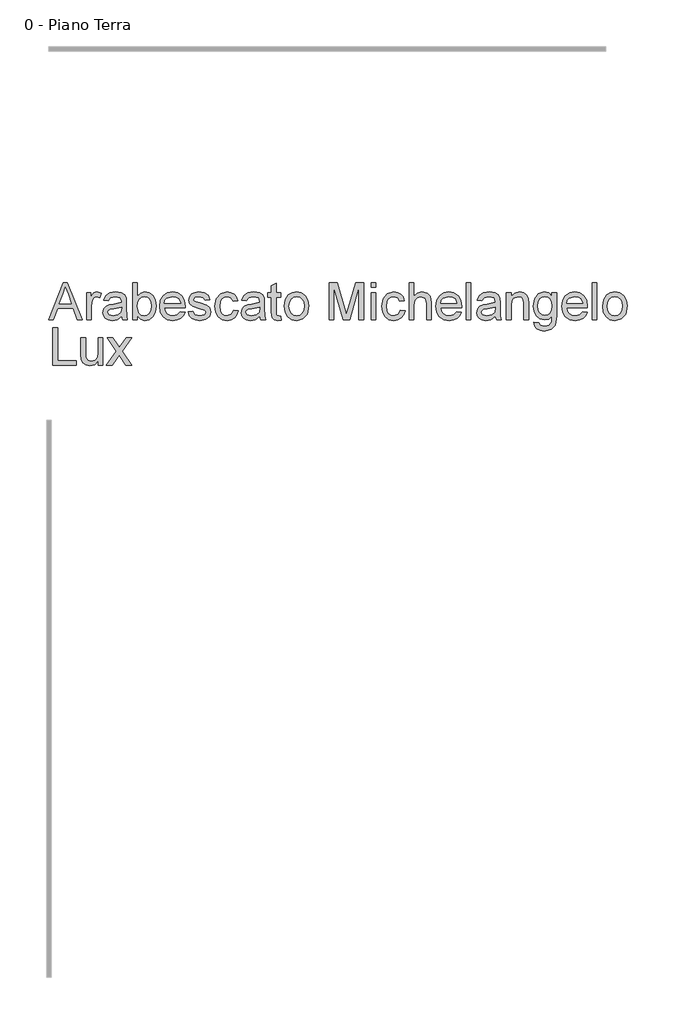
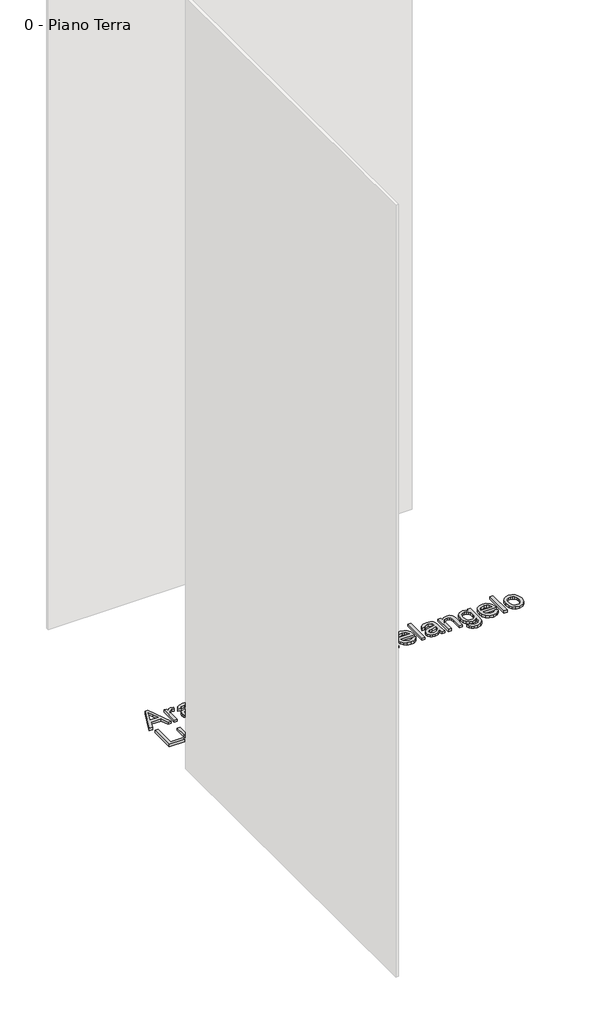
# One storey, part 34 of 35: 1 proxy.
"""IFC4 building model written with IfcOpenShell, lengths in millimetres."""

from ifc_helpers import new_model, si_unit, origin, origin_with_axes, place, context, project, spatial, polyline, outline, extrude, element, save

model = new_model("IFC4")

# Units and contexts
model_context = context("Model", 3, world=origin())
ifc_project = project(units=[si_unit("LENGTHUNIT", "METRE", prefix="MILLI")], contexts=[model_context])

# Site, building, storey
site = spatial("IfcSite", under=ifc_project)
building = spatial("IfcBuilding", under=site)
storey = spatial("IfcBuildingStorey", under=building, Name="0 - Piano Terra", Elevation=0.0)

# Proxy
placement = place(None, origin())
element("IfcBuildingElementProxy", 1, Name="Testo modello 1", ObjectType="Testo modello 1", at=placement, inside=storey, context=model_context, shape_type="SweptSolid", body=[
    extrude(outline(polyline([(7720.0306016, 17726.2407648), (7760.1297391, 17826.697075), (7770.8228424, 17826.697075), (7810.9219799, 17726.2407648), (7797.6537026, 17726.2407648), (7786.1512589, 17757.6333618), (7744.7767972, 17757.6333618), (7733.2988789, 17726.2407648), (7720.0306016, 17726.2407648)]), holes=[polyline([(7749.3875848, 17770.1904005), (7781.5649967, 17770.1904005), (7772.5150996, 17794.8875451), (7765.4762908, 17814.1400362), (7759.2222968, 17797.0457862), (7749.3875848, 17770.1904005)])]), origin_with_axes(), (0.0, 0.0, 1.0), 10.0),
    extrude(outline(polyline([(7822.7677801, 17726.2407648), (7822.7677801, 17800.0133676), (7833.7551891, 17800.0133676), (7833.7551891, 17789.0995351), (7841.5542874, 17799.1549763), (7849.4024366, 17801.5829975), (7862.0085263, 17797.7079738), (7857.8146716, 17786.4507847), (7848.9855037, 17789.0259587), (7841.8853812, 17786.5488866), (7837.3604326, 17779.681756), (7835.3248189, 17765.0155271), (7835.3248189, 17726.2407648), (7822.7677801, 17726.2407648)])), origin_with_axes(), (0.0, 0.0, 1.0), 10.0),
    extrude(outline(polyline([(7916.9455709, 17735.6585439), (7904.7686769, 17727.1482071), (7891.3164586, 17724.671135), (7880.8226247, 17726.1610571), (7873.0817744, 17730.6308233), (7868.3085055, 17737.4182461), (7866.7174158, 17745.8611379), (7869.1209115, 17755.7939518), (7875.4362191, 17763.0044389), (7884.2285988, 17767.1247172), (7895.0933804, 17769.0131782), (7916.8719945, 17773.3296602), (7916.9455709, 17776.1255634), (7913.4874802, 17785.3961897), (7899.6060662, 17789.0259587), (7886.9018746, 17786.6102003), (7880.8440845, 17778.0385498), (7868.2870457, 17779.6081796), (7873.7194365, 17791.8709128), (7884.6577945, 17799.0568744), (7901.224747, 17801.5829975), (7916.4427989, 17799.35118), (7925.0389748, 17793.747111), (7928.889473, 17785.2245114), (7929.5026097, 17774.2371025), (7929.5026097, 17758.6143804), (7930.1402718, 17736.7989781), (7932.6418694, 17726.2407648), (7920.0848306, 17726.2407648), (7916.9455709, 17735.6585439)]), holes=[polyline([(7916.9455709, 17760.7726215), (7896.6875357, 17756.9221232), (7885.8840678, 17754.8865095), (7880.9912373, 17751.5755716), (7879.2744546, 17746.7440547), (7883.0145882, 17739.9505005), (7893.9897344, 17737.2281738), (7906.693926, 17740.2325434), (7914.8854317, 17747.5043442), (7916.8719945, 17757.2164288), (7916.9455709, 17760.7726215)])]), origin_with_axes(), (0.0, 0.0, 1.0), 10.0),
    extrude(outline(polyline([(7959.3255768, 17726.2407648), (7946.768538, 17726.2407648), (7946.768538, 17826.697075), (7959.3255768, 17826.697075), (7959.3255768, 17789.4428916), (7968.1179564, 17798.547971), (7979.0440517, 17801.5829975), (7991.6256159, 17798.848408), (8001.3867515, 17791.1596743), (8007.3832281, 17779.2035094), (8009.5537318, 17764.2307122), (8007.306586, 17747.467556), (8000.5651484, 17734.9963563), (7990.6721884, 17727.2524403), (7978.9704753, 17724.671135), (7967.8052567, 17728.0004671), (7959.3255768, 17737.9884632), (7959.3255768, 17726.2407648)]), holes=[polyline([(7959.3255768, 17763.642101), (7962.759142, 17746.0818671), (7969.3380984, 17739.4415971), (7977.8913548, 17737.2281738), (7985.1386301, 17738.8591173), (7991.3313103, 17743.7519478), (7995.5803474, 17751.8760085), (7996.9966931, 17763.2006426), (7995.6385954, 17774.6908236), (7991.5643023, 17782.7229138), (7985.5647601, 17787.4501975), (7978.430915, 17789.0259587), (7971.1836397, 17787.3950152), (7964.9909595, 17782.5021846), (7960.7419224, 17774.5252767), (7959.3255768, 17763.642101)])]), origin_with_axes(), (0.0, 0.0, 1.0), 10.0),
    extrude(outline(polyline([(8075.3310326, 17748.2155827), (8087.6428167, 17746.6459528), (8083.206773, 17737.3691952), (8076.1281102, 17730.4346196), (8066.566244, 17726.1120062), (8054.6805899, 17724.671135), (8039.946916, 17727.1574042), (8028.6100192, 17734.6162116), (8021.381138, 17746.5631794), (8018.9715109, 17762.5139296), (8021.4056634, 17779.0011743), (8028.708121, 17791.3313525), (8039.8917337, 17799.0200862), (8053.9693514, 17801.5829975), (8067.6085764, 17799.0262176), (8078.5070805, 17791.355878), (8085.6531882, 17779.0502253), (8088.0352241, 17762.587506), (8087.9616477, 17759.2029916), (8031.5285497, 17759.2029916), (8033.7021191, 17749.8036066), (8038.7512995, 17742.8935565), (8046.0384287, 17738.6445195), (8054.9258446, 17737.2281738), (8067.2376287, 17739.8523987), (8075.3310326, 17748.2155827)]), holes=[polyline([(8031.5285497, 17771.7600304), (8075.4781854, 17771.7600304), (8070.4504648, 17783.1398468), (8063.1296131, 17787.5544307), (8053.9203005, 17789.0259587), (8038.4569939, 17784.3293319), (8033.5917545, 17778.8386931), (8031.5285497, 17771.7600304)])]), origin_with_axes(), (0.0, 0.0, 1.0), 10.0),
    extrude(outline(polyline([(8095.8833734, 17748.2155827), (8108.4404121, 17749.7852125), (8114.2529477, 17740.4655353), (8127.5702759, 17737.2281738), (8140.3725693, 17740.1957552), (8144.5418986, 17747.1609876), (8140.3480439, 17752.8018449), (8127.4231231, 17756.382563), (8108.5139885, 17762.5261923), (8100.2611691, 17769.6998912), (8097.4530032, 17779.8289088), (8099.7093461, 17789.1853742), (8105.8652382, 17796.3345477), (8113.8482775, 17800.0501558), (8124.6517454, 17801.5829975), (8139.9311109, 17799.1181881), (8149.6431956, 17792.4472612), (8153.9596777, 17781.1778095), (8141.4026389, 17779.6081796), (8136.6814866, 17786.5366239), (8125.632764, 17789.0259587), (8113.6152855, 17786.6469885), (8110.010042, 17781.1042331), (8111.5060954, 17777.4499386), (8116.1904595, 17774.6785609), (8127.0061902, 17772.005285), (8145.4370781, 17766.0946477), (8153.9964659, 17759.3991953), (8157.0989374, 17748.4853628), (8153.4569056, 17736.4678843), (8142.9477433, 17727.749081), (8127.3985976, 17724.671135), (8114.7373256, 17726.1549257), (8105.4973562, 17730.6062979), (8099.3292014, 17737.9762005), (8095.8833734, 17748.2155827)])), origin_with_axes(), (0.0, 0.0, 1.0), 10.0),
    extrude(outline(polyline([(8218.3145014, 17752.9244722), (8230.8715401, 17751.3548424), (8227.3705298, 17740.1865581), (8220.7915735, 17731.746732), (8211.7539391, 17726.4400343), (8200.8768948, 17724.671135), (8187.5197127, 17727.1390101), (8177.0749297, 17734.5426352), (8170.3334921, 17746.557048), (8168.0863463, 17762.8572861), (8171.9245818, 17783.7161952), (8183.6232292, 17797.1193626), (8200.7052165, 17801.5829975), (8211.3155464, 17800.0501558), (8219.7982921, 17795.4516309), (8225.8836734, 17788.0326773), (8229.3019103, 17778.0385498), (8216.7448715, 17776.4689199), (8210.9200733, 17785.8744363), (8200.8033184, 17789.0259587), (8192.6884547, 17787.4747229), (8186.2474541, 17782.8210157), (8182.0444023, 17774.8134509), (8180.6433851, 17763.2006426), (8182.0137455, 17751.4314845), (8186.1248268, 17743.3963286), (8192.4493314, 17738.7702125), (8200.4599619, 17737.2281738), (8212.2934994, 17741.078672), (8218.3145014, 17752.9244722)])), origin_with_axes(), (0.0, 0.0, 1.0), 10.0),
    extrude(outline(polyline([(8288.9478444, 17735.6585439), (8276.7709504, 17727.1482071), (8263.3187321, 17724.671135), (8252.8248982, 17726.1610571), (8245.0840479, 17730.6308233), (8240.310779, 17737.4182461), (8238.7196894, 17745.8611379), (8241.1231851, 17755.7939518), (8247.4384926, 17763.0044389), (8256.2308723, 17767.1247172), (8267.0956539, 17769.0131782), (8288.874268, 17773.3296602), (8288.9478444, 17776.1255634), (8285.4897537, 17785.3961897), (8271.6083397, 17789.0259587), (8258.9041482, 17786.6102003), (8252.846358, 17778.0385498), (8240.2893192, 17779.6081796), (8245.72171, 17791.8709128), (8256.660068, 17799.0568744), (8273.2270205, 17801.5829975), (8288.4450724, 17799.35118), (8297.0412483, 17793.747111), (8300.8917465, 17785.2245114), (8301.5048832, 17774.2371025), (8301.5048832, 17758.6143804), (8302.1425453, 17736.7989781), (8304.6441429, 17726.2407648), (8292.0871041, 17726.2407648), (8288.9478444, 17735.6585439)]), holes=[polyline([(8288.9478444, 17760.7726215), (8268.6898092, 17756.9221232), (8257.8863413, 17754.8865095), (8252.9935108, 17751.5755716), (8251.2767281, 17746.7440547), (8255.0168617, 17739.9505005), (8265.9920079, 17737.2281738), (8278.6961995, 17740.2325434), (8286.8877053, 17747.5043442), (8288.874268, 17757.2164288), (8288.9478444, 17760.7726215)])]), origin_with_axes(), (0.0, 0.0, 1.0), 10.0),
    extrude(outline(polyline([(8345.4545189, 17736.713139), (8347.0241487, 17725.8728829), (8337.6308951, 17724.671135), (8327.1094701, 17726.7557996), (8321.8610203, 17732.2249786), (8320.3404414, 17746.4742746), (8320.3404414, 17787.4563288), (8310.9226623, 17787.4563288), (8310.9226623, 17800.0133676), (8320.3404414, 17800.0133676), (8320.3404414, 17817.9414835), (8332.8974801, 17825.3236489), (8332.8974801, 17800.0133676), (8345.4545189, 17800.0133676), (8345.4545189, 17787.4563288), (8332.8974801, 17787.4563288), (8332.8974801, 17746.8421566), (8333.5596677, 17740.3674335), (8335.705646, 17738.0743024), (8339.9853399, 17737.2281738), (8345.4545189, 17736.713139)])), origin_with_axes(), (0.0, 0.0, 1.0), 10.0),
    extrude(outline(polyline([(8354.872298, 17763.1270662), (8357.5884934, 17780.9141607), (8365.7370796, 17793.4160172), (8375.8047835, 17799.5412524), (8387.8590502, 17801.5829975), (8401.0506854, 17799.0967283), (8411.5874389, 17791.6379209), (8418.4944234, 17779.7951863), (8420.7967515, 17764.1571358), (8416.7255241, 17741.814436), (8404.8674611, 17729.1715581), (8387.8590502, 17724.671135), (8374.5079995, 17727.1482071), (8363.9835087, 17734.5794234), (8357.1501007, 17746.6704783), (8354.872298, 17763.1270662)]), holes=[polyline([(8367.4293367, 17763.1515917), (8368.8824706, 17751.7871037), (8373.2418723, 17743.6906342), (8379.8024345, 17738.8437889), (8387.8590502, 17737.2281738), (8395.8788777, 17738.8529859), (8402.4271772, 17743.7274224), (8406.7865789, 17751.9311908), (8408.2397127, 17763.5439992), (8406.7773818, 17774.5773933), (8402.390389, 17782.5634983), (8395.8328925, 17787.4103436), (8387.8590502, 17789.0259587), (8379.8024345, 17787.416475), (8373.2418723, 17782.5880238), (8368.8824706, 17774.5099483), (8367.4293367, 17763.1515917)])]), origin_with_axes(), (0.0, 0.0, 1.0), 10.0),
    extrude(outline(polyline([(8475.7337961, 17726.2407648), (8475.7337961, 17826.697075), (8497.340732, 17826.697075), (8517.8930728, 17755.8920537), (8522.0378766, 17741.1031975), (8526.5260369, 17757.118327), (8546.7350212, 17826.697075), (8568.341957, 17826.697075), (8568.341957, 17726.2407648), (8555.7849183, 17726.2407648), (8555.7849183, 17814.1400362), (8530.5482134, 17726.2407648), (8513.5275398, 17726.2407648), (8488.2908349, 17814.1400362), (8488.2908349, 17726.2407648), (8475.7337961, 17726.2407648)])), origin_with_axes(), (0.0, 0.0, 1.0), 10.0),
    extrude(outline(polyline([(8588.747145, 17814.1400362), (8588.747145, 17826.697075), (8601.3041838, 17826.697075), (8601.3041838, 17814.1400362), (8588.747145, 17814.1400362)])), origin_with_axes(), (0.0, 0.0, 1.0), 10.0),
    extrude(outline(polyline([(8588.747145, 17726.2407648), (8588.747145, 17800.0133676), (8601.3041838, 17800.0133676), (8601.3041838, 17726.2407648), (8588.747145, 17726.2407648)])), origin_with_axes(), (0.0, 0.0, 1.0), 10.0),
    extrude(outline(polyline([(8667.2286373, 17752.9244722), (8679.7856761, 17751.3548424), (8676.2846658, 17740.1865581), (8669.7057094, 17731.746732), (8660.6680751, 17726.4400343), (8649.7910308, 17724.671135), (8636.4338487, 17727.1390101), (8625.9890657, 17734.5426352), (8619.2476281, 17746.557048), (8617.0004823, 17762.8572861), (8620.8387178, 17783.7161952), (8632.5373652, 17797.1193626), (8649.6193525, 17801.5829975), (8660.2296824, 17800.0501558), (8668.7124281, 17795.4516309), (8674.7978094, 17788.0326773), (8678.2160463, 17778.0385498), (8665.6590075, 17776.4689199), (8659.8342092, 17785.8744363), (8649.7174544, 17789.0259587), (8641.6025907, 17787.4747229), (8635.1615901, 17782.8210157), (8630.9585383, 17774.8134509), (8629.557521, 17763.2006426), (8630.9278815, 17751.4314845), (8635.0389628, 17743.3963286), (8641.3634674, 17738.7702125), (8649.3740978, 17737.2281738), (8661.2076354, 17741.078672), (8667.2286373, 17752.9244722)])), origin_with_axes(), (0.0, 0.0, 1.0), 10.0),
    extrude(outline(polyline([(8690.773085, 17726.2407648), (8690.773085, 17826.697075), (8703.3301238, 17826.697075), (8703.3301238, 17789.7617227), (8713.1219162, 17798.6276788), (8725.1823143, 17801.5829975), (8739.2844575, 17798.3578986), (8747.8438452, 17789.4428916), (8750.4190192, 17772.9372528), (8750.4190192, 17726.2407648), (8737.8619804, 17726.2407648), (8737.8619804, 17771.6374031), (8733.8643294, 17784.8811549), (8722.533564, 17789.0259587), (8712.2451308, 17786.2300555), (8705.3780002, 17778.6516864), (8703.3301238, 17765.4324601), (8703.3301238, 17726.2407648), (8690.773085, 17726.2407648)])), origin_with_axes(), (0.0, 0.0, 1.0), 10.0),
    extrude(outline(polyline([(8819.3355796, 17748.2155827), (8831.6473637, 17746.6459528), (8827.21132, 17737.3691952), (8820.1326573, 17730.4346196), (8810.5707911, 17726.1120062), (8798.685137, 17724.671135), (8783.951463, 17727.1574042), (8772.6145662, 17734.6162116), (8765.385685, 17746.5631794), (8762.976058, 17762.5139296), (8765.4102105, 17779.0011743), (8772.7126681, 17791.3313525), (8783.8962807, 17799.0200862), (8797.9738984, 17801.5829975), (8811.6131234, 17799.0262176), (8822.5116275, 17791.355878), (8829.6577353, 17779.0502253), (8832.0397712, 17762.587506), (8831.9661948, 17759.2029916), (8775.5330967, 17759.2029916), (8777.7066662, 17749.8036066), (8782.7558466, 17742.8935565), (8790.0429758, 17738.6445195), (8798.9303916, 17737.2281738), (8811.2421757, 17739.8523987), (8819.3355796, 17748.2155827)]), holes=[polyline([(8775.5330967, 17771.7600304), (8819.4827324, 17771.7600304), (8814.4550118, 17783.1398468), (8807.1341601, 17787.5544307), (8797.9248475, 17789.0259587), (8782.461541, 17784.3293319), (8777.5963016, 17778.8386931), (8775.5330967, 17771.7600304)])]), origin_with_axes(), (0.0, 0.0, 1.0), 10.0),
    extrude(outline(polyline([(8844.59681, 17726.2407648), (8844.59681, 17826.697075), (8857.1538487, 17826.697075), (8857.1538487, 17726.2407648), (8844.59681, 17726.2407648)])), origin_with_axes(), (0.0, 0.0, 1.0), 10.0),
    extrude(outline(polyline([(8923.0783023, 17735.6585439), (8910.9014082, 17727.1482071), (8897.4491899, 17724.671135), (8886.955356, 17726.1610571), (8879.2145057, 17730.6308233), (8874.4412368, 17737.4182461), (8872.8501472, 17745.8611379), (8875.2536429, 17755.7939518), (8881.5689505, 17763.0044389), (8890.3613302, 17767.1247172), (8901.2261117, 17769.0131782), (8923.0047259, 17773.3296602), (8923.0783023, 17776.1255634), (8919.6202115, 17785.3961897), (8905.7387976, 17789.0259587), (8893.034606, 17786.6102003), (8886.9768158, 17778.0385498), (8874.419777, 17779.6081796), (8879.8521678, 17791.8709128), (8890.7905258, 17799.0568744), (8907.3574783, 17801.5829975), (8922.5755302, 17799.35118), (8931.1717062, 17793.747111), (8935.0222044, 17785.2245114), (8935.635341, 17774.2371025), (8935.635341, 17758.6143804), (8936.2730031, 17736.7989781), (8938.7746007, 17726.2407648), (8926.2175619, 17726.2407648), (8923.0783023, 17735.6585439)]), holes=[polyline([(8923.0783023, 17760.7726215), (8902.8202671, 17756.9221232), (8892.0167991, 17754.8865095), (8887.1239686, 17751.5755716), (8885.407186, 17746.7440547), (8889.1473196, 17739.9505005), (8900.1224658, 17737.2281738), (8912.8266573, 17740.2325434), (8921.0181631, 17747.5043442), (8923.0047259, 17757.2164288), (8923.0783023, 17760.7726215)])]), origin_with_axes(), (0.0, 0.0, 1.0), 10.0),
    extrude(outline(polyline([(8952.9012693, 17726.2407648), (8952.9012693, 17800.0133676), (8965.4583081, 17800.0133676), (8965.4583081, 17789.7126717), (8975.0600282, 17798.615416), (8988.1688899, 17801.5829975), (9000.0269529, 17799.1917645), (9008.1203568, 17792.9132451), (9011.8850159, 17783.679407), (9012.5472035, 17771.5393012), (9012.5472035, 17726.2407648), (8999.9901647, 17726.2407648), (8999.9901647, 17769.847044), (8998.5431622, 17780.9570803), (8993.4296025, 17786.8309295), (8984.808901, 17789.0259587), (8971.1850045, 17784.09634), (8966.8899822, 17776.9532979), (8965.4583081, 17765.3834091), (8965.4583081, 17726.2407648), (8952.9012693, 17726.2407648)])), origin_with_axes(), (0.0, 0.0, 1.0), 10.0),
    extrude(outline(polyline([(9026.6738721, 17719.9622455), (9039.2309109, 17718.3926156), (9043.3021383, 17711.7707397), (9055.4912951, 17708.9748365), (9068.3426394, 17712.1386217), (9074.474006, 17721.0168405), (9075.3323973, 17735.6585439), (9066.4909667, 17728.5952096), (9055.7120243, 17726.2407648), (9042.7656437, 17728.9814857), (9033.111807, 17737.2036483), (9027.1061334, 17749.257915), (9025.1042423, 17763.4949482), (9028.6972231, 17782.9559058), (9039.0960208, 17796.7269551), (9055.0988876, 17801.5829975), (9066.3008943, 17798.8361452), (9075.3323973, 17790.5955885), (9075.3323973, 17800.0133676), (9087.8894361, 17800.0133676), (9087.8894361, 17736.3207315), (9084.4558708, 17711.9301552), (9073.5788265, 17700.5871271), (9055.2460404, 17696.4177978), (9043.5627214, 17697.8862601), (9034.3626058, 17702.291647), (9028.4611655, 17709.6462212), (9026.6738721, 17719.9622455)]), holes=[polyline([(9037.661281, 17764.3533395), (9039.0009846, 17752.8355674), (9043.0200954, 17744.9169075), (9049.0625572, 17740.3275796), (9056.4723137, 17738.7978036), (9063.8268879, 17740.3183825), (9069.9000065, 17744.8801193), (9073.9742996, 17752.6976117), (9075.3323973, 17763.9854576), (9073.9344457, 17774.8716989), (9069.740591, 17782.7106511), (9063.5785676, 17787.4471318), (9056.27611, 17789.0259587), (9049.1054768, 17787.4716573), (9043.0936718, 17782.808753), (9039.0193787, 17775.0862968), (9037.661281, 17764.3533395)])]), origin_with_axes(), (0.0, 0.0, 1.0), 10.0),
    extrude(outline(polyline([(9158.3756264, 17748.2155827), (9170.6874105, 17746.6459528), (9166.2513668, 17737.3691952), (9159.172704, 17730.4346196), (9149.6108378, 17726.1120062), (9137.7251837, 17724.671135), (9122.9915098, 17727.1574042), (9111.654613, 17734.6162116), (9104.4257318, 17746.5631794), (9102.0161047, 17762.5139296), (9104.4502572, 17779.0011743), (9111.7527148, 17791.3313525), (9122.9363275, 17799.0200862), (9137.0139452, 17801.5829975), (9150.6531702, 17799.0262176), (9161.5516743, 17791.355878), (9168.697782, 17779.0502253), (9171.0798179, 17762.587506), (9171.0062415, 17759.2029916), (9114.5731435, 17759.2029916), (9116.7467129, 17749.8036066), (9121.7958933, 17742.8935565), (9129.0830225, 17738.6445195), (9137.9704384, 17737.2281738), (9150.2822225, 17739.8523987), (9158.3756264, 17748.2155827)]), holes=[polyline([(9114.5731435, 17771.7600304), (9158.5227792, 17771.7600304), (9153.4950586, 17783.1398468), (9146.1742069, 17787.5544307), (9136.9648943, 17789.0259587), (9121.5015877, 17784.3293319), (9116.6363483, 17778.8386931), (9114.5731435, 17771.7600304)])]), origin_with_axes(), (0.0, 0.0, 1.0), 10.0),
    extrude(outline(polyline([(9183.6368567, 17726.2407648), (9183.6368567, 17826.697075), (9196.1938955, 17826.697075), (9196.1938955, 17726.2407648), (9183.6368567, 17726.2407648)])), origin_with_axes(), (0.0, 0.0, 1.0), 10.0),
    extrude(outline(polyline([(9211.8901939, 17763.1270662), (9214.6063893, 17780.9141607), (9222.7549755, 17793.4160172), (9232.8226795, 17799.5412524), (9244.8769462, 17801.5829975), (9258.0685814, 17799.0967283), (9268.6053349, 17791.6379209), (9275.5123193, 17779.7951863), (9277.8146475, 17764.1571358), (9273.7434201, 17741.814436), (9261.8853571, 17729.1715581), (9244.8769462, 17724.671135), (9231.5258954, 17727.1482071), (9221.0014047, 17734.5794234), (9214.1679966, 17746.6704783), (9211.8901939, 17763.1270662)]), holes=[polyline([(9224.4472327, 17763.1515917), (9225.9003666, 17751.7871037), (9230.2597682, 17743.6906342), (9236.8203305, 17738.8437889), (9244.8769462, 17737.2281738), (9252.8967737, 17738.8529859), (9259.4450732, 17743.7274224), (9263.8044748, 17751.9311908), (9265.2576087, 17763.5439992), (9263.7952778, 17774.5773933), (9259.408285, 17782.5634983), (9252.8507884, 17787.4103436), (9244.8769462, 17789.0259587), (9236.8203305, 17787.416475), (9230.2597682, 17782.5880238), (9225.9003666, 17774.5099483), (9224.4472327, 17763.1515917)])]), origin_with_axes(), (0.0, 0.0, 1.0), 10.0),
    extrude(outline(polyline([(7731.7292491, 17604.265947), (7731.7292491, 17704.7222572), (7744.2862878, 17704.7222572), (7744.2862878, 17616.8229858), (7794.5144429, 17616.8229858), (7794.5144429, 17604.265947), (7731.7292491, 17604.265947)])), origin_with_axes(), (0.0, 0.0, 1.0), 10.0),
    extrude(outline(polyline([(7854.1603771, 17604.265947), (7854.1603771, 17616.9456131), (7844.3256651, 17606.2586411), (7831.4988462, 17602.6963172), (7819.6898341, 17605.1979147), (7811.5473793, 17611.4764341), (7807.8072457, 17620.7225349), (7807.0714817, 17632.3966569), (7807.0714817, 17678.0385498), (7819.6285205, 17678.0385498), (7819.6285205, 17638.3072943), (7820.3888099, 17625.5050009), (7825.3552168, 17617.9879454), (7834.7116823, 17615.2533559), (7845.1963191, 17618.0492591), (7852.1247634, 17625.6644164), (7854.1603771, 17639.6561949), (7854.1603771, 17678.0385498), (7866.7174158, 17678.0385498), (7866.7174158, 17604.265947), (7854.1603771, 17604.265947)])), origin_with_axes(), (0.0, 0.0, 1.0), 10.0),
    extrude(outline(polyline([(7876.1351949, 17604.265947), (7902.9660551, 17641.3484521), (7877.7048248, 17678.0385498), (7892.812512, 17678.0385498), (7905.0016688, 17660.380214), (7910.691577, 17652.0415554), (7915.6211957, 17658.8596351), (7929.5026097, 17678.0385498), (7944.610297, 17678.0385498), (7918.0737424, 17641.3484521), (7943.6292783, 17604.265947), (7928.521591, 17604.265947), (7913.1441236, 17626.5595959), (7910.323695, 17630.6308233), (7891.2428822, 17604.265947), (7876.1351949, 17604.265947)])), origin_with_axes(), (0.0, 0.0, 1.0), 10.0),
])

save(model, "model.ifc")
